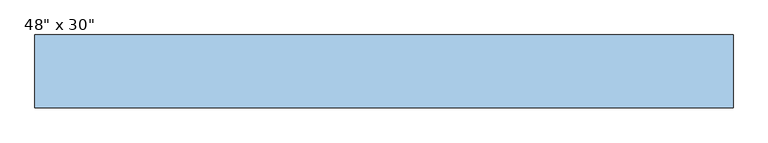
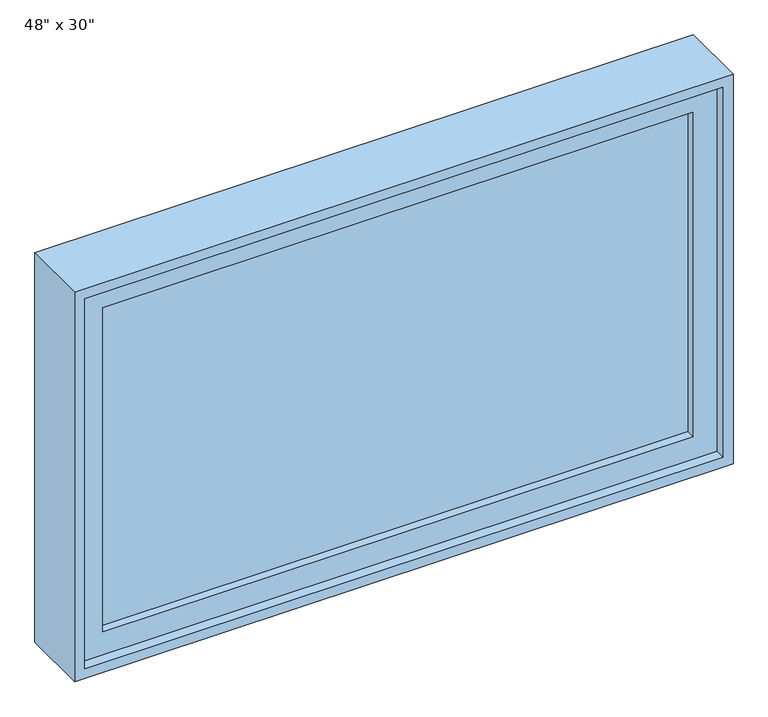
"""IFC4 building model written with IfcOpenShell, lengths in millimetres: window geometry."""

from ifc_helpers import new_model, si_unit, frame, origin, place, context, project, spatial, polyline, outline, extrude, source, transform, mapped, element, save


def window_32f5f0fa(model_context):
    return source(origin(), model_context, "Body", "SweptSolid", [
        extrude(outline(polyline([(1657.35, 590.55), (1657.35, -590.55), (933.45, -590.55), (933.45, 590.55), (1657.35, 590.55)]), holes=[polyline([(1612.9, 546.1), (977.9, 546.1), (977.9, -546.1), (1612.9, -546.1), (1612.9, 546.1)])]), frame((0.0, -14.2875, 0.0), z_axis=(0.0, 1.0, 0.0), x_axis=(0.0, 0.0, 1.0)), (0.0, 0.0, 1.0), 44.45),
        extrude(outline(polyline([(546.1, 14.2875), (546.1, 1.5875), (-546.1, 1.5875), (-546.1, 14.2875), (546.1, 14.2875)])), frame((0.0, 0.0, 977.9), z_axis=(0.0, 0.0, 1.0), x_axis=(1.0, 0.0, 0.0)), (0.0, 0.0, 1.0), 635.0),
        extrude(outline(polyline([(914.4, -609.6), (914.4, 609.6), (1676.4, 609.6), (1676.4, -609.6), (914.4, -609.6)]), holes=[polyline([(1657.35, 590.55), (933.45, 590.55), (933.45, -590.55), (1657.35, -590.55), (1657.35, 590.55)])]), frame((0.0, -33.3375, 0.0), z_axis=(0.0, 1.0, 0.0), x_axis=(0.0, 0.0, 1.0)), (0.0, 0.0, 1.0), 127.0),
    ])


if __name__ == "__main__":
    model = new_model("IFC4")
    model_context = context("Model", 3, world=origin())
    ifc_project = project(units=[si_unit("LENGTHUNIT", "METRE", prefix="MILLI")], contexts=[model_context])
    site = spatial("IfcSite", under=ifc_project)
    building = spatial("IfcBuilding", under=site)
    placement = place(None, origin())
    window_shape = window_32f5f0fa(model_context)
    element("IfcWindow", 1, ObjectType="48\" x 30\"", at=placement, inside=building, context=model_context, shape_type="MappedRepresentation", body=[
        mapped(window_shape, transform((0.0, 0.0, 0.0), x_axis=(1.0, 0.0, 0.0), y_axis=(0.0, 1.0, 0.0), z_axis=(0.0, 0.0, 1.0))),
    ])
    save(model, "model.ifc")
